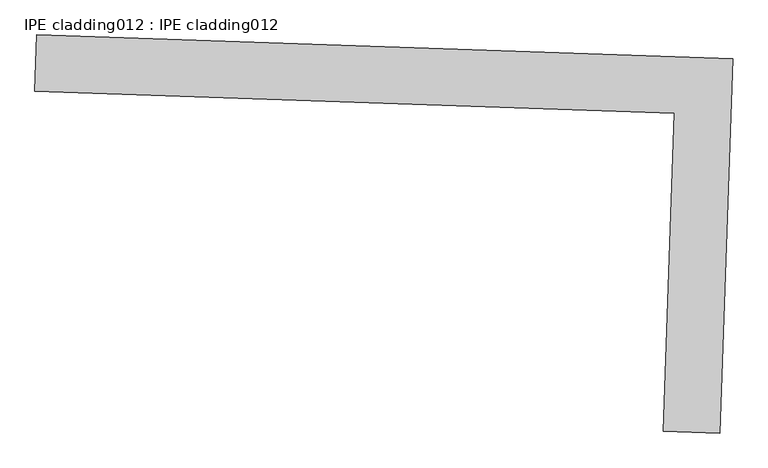
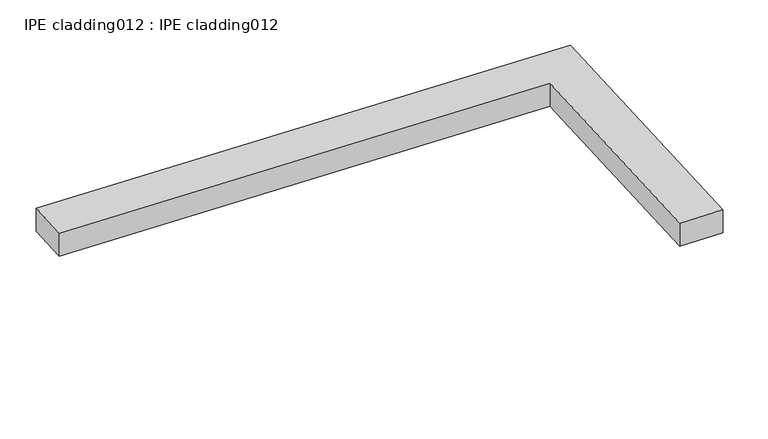
"""IFC4 building model written with IfcOpenShell, lengths in millimetres: proxy geometry, IPE cladding012 : IPE cladding012."""

from ifc_helpers import new_model, si_unit, frame, origin, place, context, project, spatial, polyline, outline, extrude, source, transform, mapped, element, save


def ipe_cladding012_ipe_cladding012_8cd6b08e(model_context):
    return source(origin(), model_context, "Body", "SweptSolid", [
        extrude(outline(polyline([(17306.5036743, -14579.7359), (17309.5442111, -14490.8879112), (18404.9713727, -14528.3753837), (18384.8189495, -15117.2524223), (18295.9709604, -15114.2118856), (18313.0828472, -14614.1828357), (17306.5036743, -14579.7359)])), frame((0.0, 0.0, 1648.775707), z_axis=(0.0, 0.0, 1.0), x_axis=(1.0, 0.0, 0.0)), (0.0, 0.0, 1.0), 50.8),
    ])


if __name__ == "__main__":
    model = new_model("IFC4")
    model_context = context("Model", 3, world=origin())
    ifc_project = project(units=[si_unit("LENGTHUNIT", "METRE", prefix="MILLI")], contexts=[model_context])
    site = spatial("IfcSite", under=ifc_project)
    building = spatial("IfcBuilding", under=site)
    placement = place(None, origin())
    ipe_cladding012_ipe_cladding012_shape = ipe_cladding012_ipe_cladding012_8cd6b08e(model_context)
    element("IfcBuildingElementProxy", 1, Name="IPE cladding012 : IPE cladding012", ObjectType="IPE cladding012 : IPE cladding012", at=placement, inside=building, context=model_context, shape_type="MappedRepresentation", body=[
        mapped(ipe_cladding012_ipe_cladding012_shape, transform((0.0, 0.0, 0.0), x_axis=(1.0, 0.0, 0.0), y_axis=(0.0, 1.0, 0.0), z_axis=(0.0, 0.0, 1.0))),
    ])
    save(model, "model.ifc")
